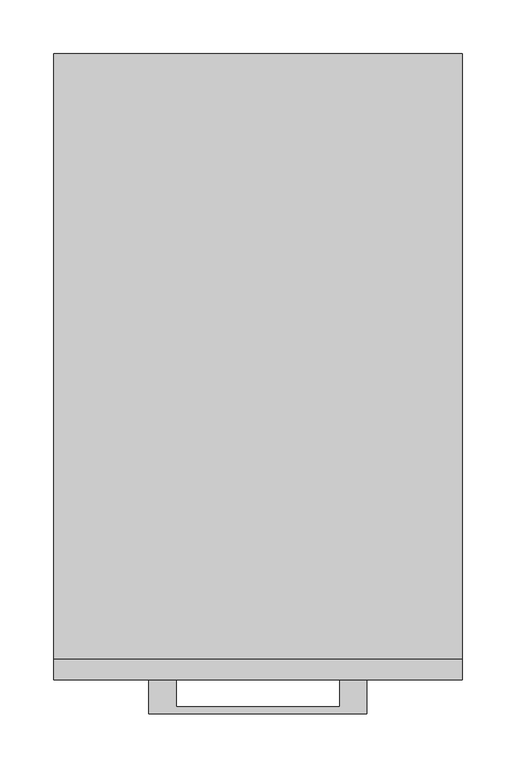
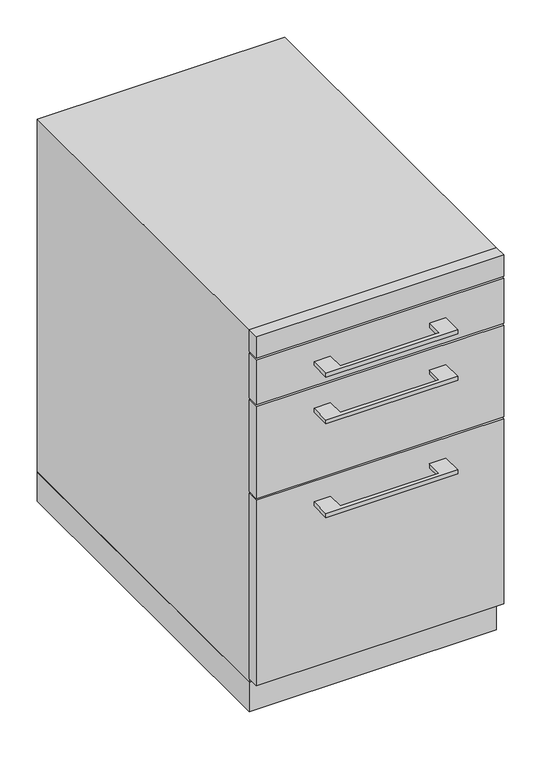
"""IFC4 building model written with IfcOpenShell, lengths in millimetres: furniture geometry."""

from ifc_helpers import new_model, si_unit, frame, origin, origin_with_axes, place, context, project, spatial, polyline, outline, extrude, source, transform, mapped, element, save


def furniture_1d080d94(model_context):
    return source(origin(), model_context, "Body", "SweptSolid", [
        extrude(outline(polyline([(-76.1999818, -584.2), (-76.1999818, -609.5999758), (76.2, -609.5999758), (76.2, -584.2), (101.5999939, -584.2), (101.5999939, -615.9499879), (-101.5999939, -615.9499879), (-101.5999939, -584.2), (-76.1999818, -584.2)])), frame((0.0, 0.0, 468.3125506), z_axis=(0.0, 0.0, 1.0), x_axis=(1.0, 0.0, 0.0)), (0.0, 0.0, 1.0), 6.3499758),
        extrude(outline(polyline([(190.5, -565.15), (190.5, -584.2), (-190.5, -584.2), (-190.5, -565.15), (190.5, -565.15)])), frame((0.0, 0.0, 358.775), z_axis=(0.0, 0.0, 1.0), x_axis=(1.0, 0.0, 0.0)), (0.0, 0.0, 1.0), 149.225),
        extrude(outline(polyline([(-76.1999818, -584.2), (-76.1999818, -609.5999758), (76.2, -609.5999758), (76.2, -584.2), (101.5999939, -584.2), (101.5999939, -615.9499879), (-101.5999939, -615.9499879), (-101.5999939, -584.2), (-76.1999818, -584.2)])), frame((0.0, 0.0, 544.5125506), z_axis=(0.0, 0.0, 1.0), x_axis=(1.0, 0.0, 0.0)), (0.0, 0.0, 1.0), 6.3499758),
        extrude(outline(polyline([(190.5, -565.15), (190.5, -584.2), (-190.5, -584.2), (-190.5, -565.15), (190.5, -565.15)])), frame((0.0, 0.0, 511.175), z_axis=(0.0, 0.0, 1.0), x_axis=(1.0, 0.0, 0.0)), (0.0, 0.0, 1.0), 73.025),
        extrude(outline(polyline([(-76.1999818, -584.2), (-76.1999818, -609.5999758), (76.2, -609.5999758), (76.2, -584.2), (101.5999939, -584.2), (101.5999939, -615.9499879), (-101.5999939, -615.9499879), (-101.5999939, -584.2), (-76.1999818, -584.2)])), frame((0.0, 0.0, 315.9125506), z_axis=(0.0, 0.0, 1.0), x_axis=(1.0, 0.0, 0.0)), (0.0, 0.0, 1.0), 6.3499758),
        extrude(outline(polyline([(190.5, -565.15), (190.5, -584.2), (-190.5, -584.2), (-190.5, -565.15), (190.5, -565.15)])), frame((0.0, 0.0, 53.975), z_axis=(0.0, 0.0, 1.0), x_axis=(1.0, 0.0, 0.0)), (0.0, 0.0, 1.0), 301.625),
        extrude(outline(polyline([(190.5, 0.0), (190.5, -565.15), (-190.5, -565.15), (-190.5, 0.0), (190.5, 0.0)])), origin_with_axes(), (0.0, 0.0, 1.0), 47.625),
        extrude(outline(polyline([(190.5, -584.2), (-190.5, -584.2), (-190.5, -565.15), (190.5, -565.15), (190.5, -584.2)])), frame((0.0, 0.0, 587.375), z_axis=(0.0, 0.0, 1.0), x_axis=(1.0, 0.0, 0.0)), (0.0, 0.0, 1.0), 34.925),
        extrude(outline(polyline([(190.5, 0.0), (190.5, -565.15), (-190.5, -565.15), (-190.5, 0.0), (190.5, 0.0)])), frame((0.0, 0.0, 47.625), z_axis=(0.0, 0.0, 1.0), x_axis=(1.0, 0.0, 0.0)), (0.0, 0.0, 1.0), 574.675),
    ])


if __name__ == "__main__":
    model = new_model("IFC4")
    model_context = context("Model", 3, world=origin())
    ifc_project = project(units=[si_unit("LENGTHUNIT", "METRE", prefix="MILLI")], contexts=[model_context])
    site = spatial("IfcSite", under=ifc_project)
    building = spatial("IfcBuilding", under=site)
    placement = place(None, origin())
    furniture_shape = furniture_1d080d94(model_context)
    element("IfcFurniture", 1, at=placement, inside=building, context=model_context, shape_type="MappedRepresentation", body=[
        mapped(furniture_shape, transform((0.0, 0.0, 0.0), x_axis=(1.0, 0.0, 0.0), y_axis=(0.0, 1.0, 0.0), z_axis=(0.0, 0.0, 1.0))),
    ])
    save(model, "model.ifc")
